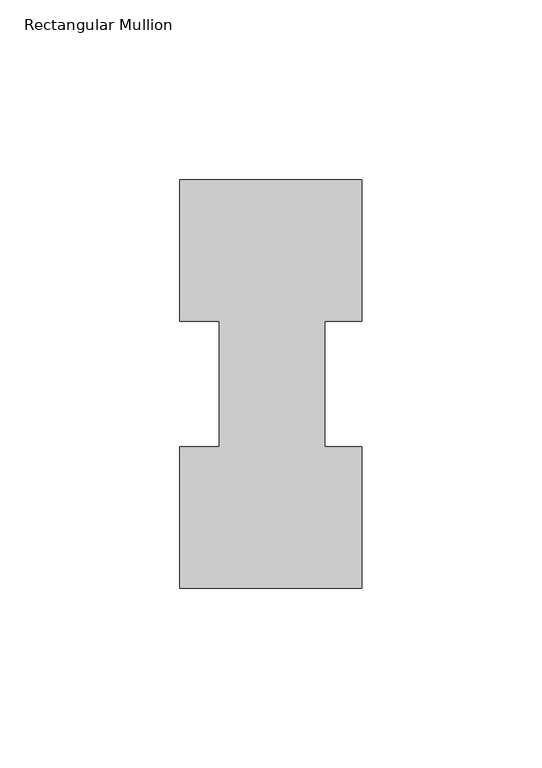
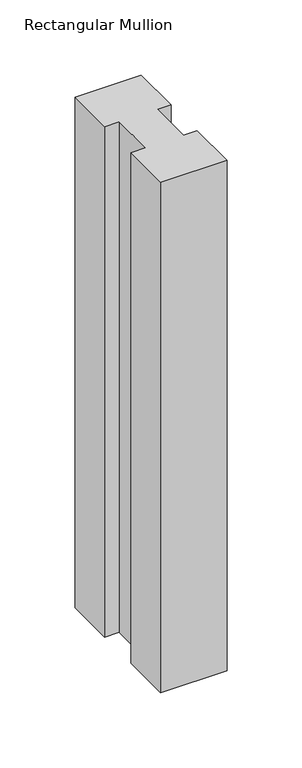
"""IFC4 building model written with IfcOpenShell, lengths in millimetres: member geometry, Rectangular Mullion."""

from ifc_helpers import new_model, si_unit, frame, origin, place, context, project, spatial, polyline, outline, extrude, source, transform, mapped, element, save


def rectangular_mullion_c03dd5be(model_context):
    return source(origin(), model_context, "Body", "SweptSolid", [
        extrude(outline(polyline([(-50.8, 114.017425), (0.0, 114.017425), (0.0, 74.596625), (-10.3124, 74.596625), (-10.3124, 39.646225), (0.0, 39.646225), (0.0, 0.225425), (-50.8, 0.225425), (-50.8, 39.646225), (-39.6875, 39.646225), (-39.6875, 74.596625), (-50.8, 74.596625), (-50.8, 114.017425)])), frame((0.0, 0.0, -414.3375), z_axis=(0.0, 0.0, 1.0), x_axis=(1.0, 0.0, 0.0)), (0.0, 0.0, 1.0), 414.3375),
    ])


if __name__ == "__main__":
    model = new_model("IFC4")
    model_context = context("Model", 3, world=origin())
    ifc_project = project(units=[si_unit("LENGTHUNIT", "METRE", prefix="MILLI")], contexts=[model_context])
    site = spatial("IfcSite", under=ifc_project)
    building = spatial("IfcBuilding", under=site)
    placement = place(None, origin())
    rectangular_mullion_shape = rectangular_mullion_c03dd5be(model_context)
    element("IfcMember", 1, ObjectType="Rectangular Mullion", at=placement, inside=building, context=model_context, shape_type="MappedRepresentation", body=[
        mapped(rectangular_mullion_shape, transform((0.0, 0.0, 0.0), x_axis=(1.0, 0.0, 0.0), y_axis=(0.0, 1.0, 0.0), z_axis=(0.0, 0.0, 1.0))),
    ])
    save(model, "model.ifc")
